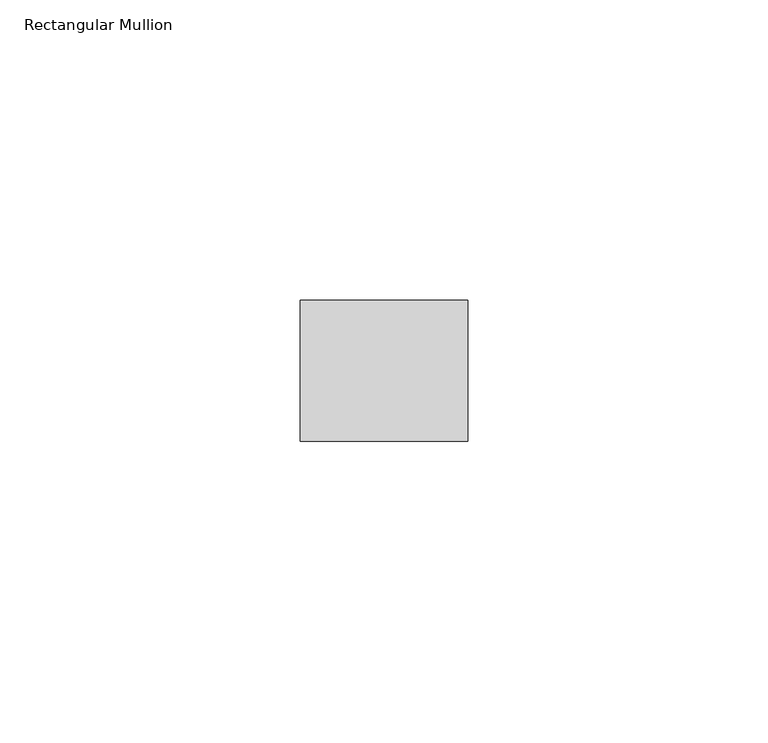
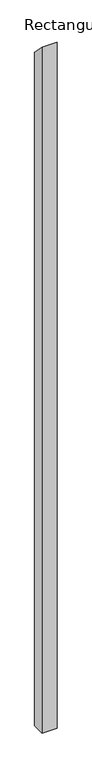
"""IFC4 building model written with IfcOpenShell, lengths in millimetres: member geometry, Rectangular Mullion."""

from ifc_helpers import new_model, si_unit, frame, origin, place, context, project, spatial, polyline, outline, extrude, source, transform, mapped, element, save


def rectangular_mullion_68f6380a(model_context):
    return source(origin(), model_context, "Body", "SweptSolid", [
        extrude(outline(polyline([(-11.7474999, 11.7474999), (11.7474999, -11.7474999), (11.7474999, -1320.8), (-11.7474999, -1320.8), (-11.7474999, 11.7474999)])), frame((-27.94, 0.0, 0.0), z_axis=(1.0, 0.0, 0.0), x_axis=(0.0, 1.0, 0.0)), (0.0, 0.0, 1.0), 27.94),
    ])


if __name__ == "__main__":
    model = new_model("IFC4")
    model_context = context("Model", 3, world=origin())
    ifc_project = project(units=[si_unit("LENGTHUNIT", "METRE", prefix="MILLI")], contexts=[model_context])
    site = spatial("IfcSite", under=ifc_project)
    building = spatial("IfcBuilding", under=site)
    placement = place(None, origin())
    rectangular_mullion_shape = rectangular_mullion_68f6380a(model_context)
    element("IfcMember", 1, ObjectType="Rectangular Mullion", at=placement, inside=building, context=model_context, shape_type="MappedRepresentation", body=[
        mapped(rectangular_mullion_shape, transform((0.0, 0.0, 0.0), x_axis=(1.0, 0.0, 0.0), y_axis=(0.0, 1.0, 0.0), z_axis=(0.0, 0.0, 1.0))),
    ])
    save(model, "model.ifc")
